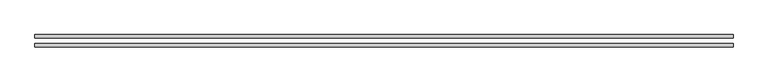
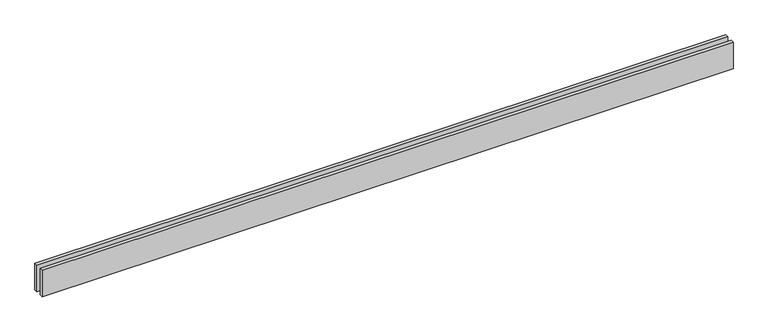
"""IFC4 building model written with IfcOpenShell, lengths in millimetres: proxy geometry."""

from ifc_helpers import new_model, si_unit, origin, origin_with_axes, place, context, project, spatial, polyline, outline, extrude, source, transform, mapped, element, save


def generic_models_144f92c3(model_context):
    return source(origin(), model_context, "Body", "SweptSolid", [
        extrude(outline(polyline([(6146.2680425, 25.0), (0.0, 25.0), (0.0, 55.0), (6146.2680425, 55.0), (6146.2680425, 25.0)])), origin_with_axes(), (0.0, 0.0, 1.0), 250.0),
        extrude(outline(polyline([(6146.2680425, -55.0), (0.0, -55.0), (0.0, -25.0), (6146.2680425, -25.0), (6146.2680425, -55.0)])), origin_with_axes(), (0.0, 0.0, 1.0), 250.0),
    ])


if __name__ == "__main__":
    model = new_model("IFC4")
    model_context = context("Model", 3, world=origin())
    ifc_project = project(units=[si_unit("LENGTHUNIT", "METRE", prefix="MILLI")], contexts=[model_context])
    site = spatial("IfcSite", under=ifc_project)
    building = spatial("IfcBuilding", under=site)
    placement = place(None, origin())
    generic_models_shape = generic_models_144f92c3(model_context)
    element("IfcBuildingElementProxy", 1, Name="Generic Models", at=placement, inside=building, context=model_context, shape_type="MappedRepresentation", body=[
        mapped(generic_models_shape, transform((0.0, 0.0, 0.0), x_axis=(1.0, 0.0, 0.0), y_axis=(0.0, 1.0, 0.0), z_axis=(0.0, 0.0, 1.0))),
    ])
    save(model, "model.ifc")
